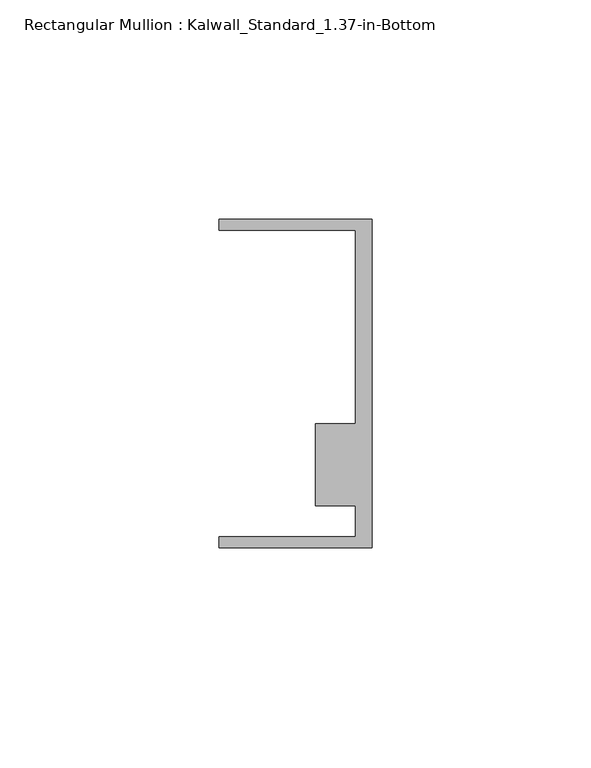
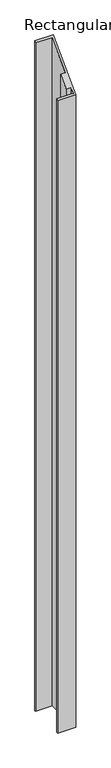
"""IFC4 building model written with IfcOpenShell, lengths in millimetres: member geometry, Rectangular Mullion : Kalwall_Standard_1.37-in-Bottom."""

import ifcopenshell
import ifcopenshell.guid

model = None  # the IFC model being written
_history = None  # IfcOwnerHistory: only IFC2X3 demands one
_inside = {}  # id of a spatial element -> (the spatial element, [elements in it])
_under = {}  # id of a project, library or spatial element -> (it, [spatial elements below it])
_declared = {}  # id of a project -> (the project, [libraries it declares])
_typed = {}  # id of a type object -> (the type object, [elements of that type])
_made_of = {}  # id of a material, layer set ... -> (it, [elements and type objects made of it])


def new_model(schema):
    """Start an empty IFC model of exactly this schema.

    Asked for "IFC4X3", IfcOpenShell would pick the latest addendum, in which some entities
    have other attributes; the version numbers below select the first issue.
    IFC2X3 requires an IfcOwnerHistory on every rooted entity: one is made here for all.
    """
    global model, _history
    if schema == "IFC4X3":
        model = ifcopenshell.file(schema_version=(4, 3, 0, 0))
    else:
        model = ifcopenshell.file(schema=schema)
    _inside.clear()
    _under.clear()
    _declared.clear()
    _typed.clear()
    _made_of.clear()
    _history = None
    if model.schema == "IFC2X3":
        org = make("IfcOrganization", Name="unknown")
        user = make(
            "IfcPersonAndOrganization",
            ThePerson=make("IfcPerson", FamilyName="unknown"),
            TheOrganization=org,
        )
        app = make(
            "IfcApplication",
            ApplicationDeveloper=org,
            Version="unknown",
            ApplicationFullName="unknown",
            ApplicationIdentifier="unknown",
        )
        _history = make(
            "IfcOwnerHistory",
            OwningUser=user,
            OwningApplication=app,
            ChangeAction="ADDED",
            CreationDate=0,
        )
    return model


def make(cls, **values):
    """One entity of the class cls with the attributes given. An attribute that is None is left unset."""
    return model.create_entity(
        cls, **{name: value for name, value in values.items() if value is not None}
    )


def rooted(cls, **values):
    """An entity with a GlobalId (a new one), such as an element, a storey or a relation."""
    return make(cls, GlobalId=ifcopenshell.guid.new(), OwnerHistory=_history, **values)


def si_unit(unit_type, name, prefix=None):
    """IfcSIUnit, for example si_unit("LENGTHUNIT", "METRE", prefix="MILLI")."""
    return make("IfcSIUnit", UnitType=unit_type, Prefix=prefix, Name=name)


def assignment(units):
    """IfcUnitAssignment: the units of a project."""
    return None if units is None else make("IfcUnitAssignment", Units=units)


def point(xyz):
    """IfcCartesianPoint."""
    return None if xyz is None else make("IfcCartesianPoint", Coordinates=xyz)


def direction(xyz):
    """IfcDirection."""
    return None if xyz is None else make("IfcDirection", DirectionRatios=xyz)


def frame(location, z_axis=None, x_axis=None):
    """IfcAxis2Placement3D, a coordinate frame: its origin and axes. An axis left out is left unset."""
    return make(
        "IfcAxis2Placement3D",
        Location=point(location),
        Axis=direction(z_axis),
        RefDirection=direction(x_axis),
    )


def origin():
    """The frame at (0, 0, 0) with its axes left unset."""
    return frame((0.0, 0.0, 0.0))


def place(relative_to, where):
    """IfcLocalPlacement: puts the frame where relative to a parent placement (None: the world)."""
    return make(
        "IfcLocalPlacement", PlacementRelTo=relative_to, RelativePlacement=where
    )


def context(
    kind, dimensions, precision=None, world=None, true_north=None, identifier=None
):
    """IfcGeometricRepresentationContext, for example the 3D "Model" context."""
    return make(
        "IfcGeometricRepresentationContext",
        ContextIdentifier=identifier,
        ContextType=kind,
        CoordinateSpaceDimension=dimensions,
        Precision=precision,
        WorldCoordinateSystem=world,
        TrueNorth=true_north,
    )


def project(units=None, contexts=None):
    """IfcProject with its units and contexts."""
    return rooted(
        "IfcProject",
        Name="project",
        RepresentationContexts=contexts,
        UnitsInContext=assignment(units),
    )


def spatial(cls, under=None, at=None, **own):
    """A site, building, storey or space (cls), placed at a placement, below another one or the project."""
    s = rooted(cls, ObjectPlacement=at, **own)
    if under is not None:
        _under.setdefault(under.id(), (under, []))[1].append(s)
    return s


def faces_of(points, faces, orient=None, outer=None):
    """IfcFace entities. A face is a list of loops; a loop is a list of indices into points, from 0.

    orient and outer hold one flag for each loop. By default every Orientation is true, the
    first loop of a face is its IfcFaceOuterBound and the others are IfcFaceBound.
    """
    made = []
    for i, loops in enumerate(faces):
        bounds = []
        for j, loop in enumerate(loops):
            is_outer = j == 0 if outer is None else outer[i][j]
            bounds.append(
                make(
                    "IfcFaceOuterBound" if is_outer else "IfcFaceBound",
                    Bound=make("IfcPolyLoop", Polygon=[points[k] for k in loop]),
                    Orientation=True if orient is None else orient[i][j],
                )
            )
        made.append(make("IfcFace", Bounds=bounds))
    return made


def faceted_brep(points, faces, orient=None, outer=None, voids=None):
    """IfcFacetedBrep: a solid bounded by flat faces; with voids (closed shells), ...WithVoids."""
    shared = [point(p) for p in points]
    hull = make("IfcClosedShell", CfsFaces=faces_of(shared, faces, orient, outer))
    if voids is None:
        return make("IfcFacetedBrep", Outer=hull)
    return make(
        "IfcFacetedBrepWithVoids",
        Outer=hull,
        Voids=[
            make(cls, CfsFaces=faces_of(shared, fs, o, b)) for cls, fs, o, b in voids
        ],
    )


def shape(context_of_items, identifier, shape_type, items):
    """IfcShapeRepresentation: the items that make up one representation, for example the "Body"."""
    return make(
        "IfcShapeRepresentation",
        ContextOfItems=context_of_items,
        RepresentationIdentifier=identifier,
        RepresentationType=shape_type,
        Items=items,
    )


def source(mapping_origin, context_of_items, identifier, shape_type, items):
    """IfcRepresentationMap: a shape defined once, which mapped items show again and again."""
    return make(
        "IfcRepresentationMap",
        MappingOrigin=mapping_origin,
        MappedRepresentation=shape(context_of_items, identifier, shape_type, items),
    )


def transform(
    local_origin,
    x_axis=None,
    y_axis=None,
    z_axis=None,
    scale=None,
    scale2=None,
    scale3=None,
    uniform=True,
):
    """IfcCartesianTransformationOperator3D, or its non-uniform kind. x_axis, y_axis, z_axis: its Axis1, 2, 3."""
    if uniform:
        return make(
            "IfcCartesianTransformationOperator3D",
            Axis1=direction(x_axis),
            Axis2=direction(y_axis),
            LocalOrigin=point(local_origin),
            Scale=scale,
            Axis3=direction(z_axis),
        )
    return make(
        "IfcCartesianTransformationOperator3DnonUniform",
        Axis1=direction(x_axis),
        Axis2=direction(y_axis),
        LocalOrigin=point(local_origin),
        Scale=scale,
        Axis3=direction(z_axis),
        Scale2=scale2,
        Scale3=scale3,
    )


def mapped(mapping_source, mapping_target):
    """IfcMappedItem: shows the shape of a source again, moved by a transform."""
    return make(
        "IfcMappedItem", MappingSource=mapping_source, MappingTarget=mapping_target
    )


def made_of(thing, what):
    """Note that an element or type object is made of a material, layer set ...; save() writes the relation."""
    if what is not None:
        _made_of.setdefault(what.id(), (what, []))[1].append(thing)
    return thing


def element(
    cls,
    number,
    at=None,
    inside=None,
    cuts=None,
    type_object=None,
    material=None,
    context=None,
    identifier="Body",
    shape_type=None,
    held_by="IfcProductDefinitionShape",
    body=None,
    shapes=None,
    **own,
):
    """One element of the class cls, such as IfcWall. Its Tag is "e" and its number.

    at: its placement. inside: the storey or other place that contains it. cuts: it is an
    opening in that element (IfcRelVoidsElement). A single representation is given by context,
    identifier, shape_type and body (its items); several are given by shapes. held_by: the class
    of the entity that holds the representations. save() writes the other relations.
    """
    e = rooted(cls, Tag="e%d" % number, ObjectPlacement=at, **own)
    if body is not None:
        shapes = [shape(context, identifier, shape_type, body)]
    if shapes is not None:
        e.Representation = make(held_by, Representations=shapes)
    if inside is not None:
        _inside.setdefault(inside.id(), (inside, []))[1].append(e)
    if cuts is not None:
        rooted(
            "IfcRelVoidsElement", RelatingBuildingElement=cuts, RelatedOpeningElement=e
        )
    if type_object is not None:
        _typed.setdefault(type_object.id(), (type_object, []))[1].append(e)
    return made_of(e, material)


def aggregate(whole, parts):
    """IfcRelAggregates: a whole, such as a stair, and the parts it consists of."""
    return rooted("IfcRelAggregates", RelatingObject=whole, RelatedObjects=parts)


def save(model, path):
    """Write the relations noted so far, then the file.

    IfcRelAggregates (storeys below a building ...), IfcRelContainedInSpatialStructure (elements
    in a storey), IfcRelDefinesByType, IfcRelAssociatesMaterial and IfcRelDeclares: one each for
    every whole, place, type object, material and project.
    """
    for whole, parts in _under.values():
        aggregate(whole, parts)
    for where, things in _inside.values():
        rooted(
            "IfcRelContainedInSpatialStructure",
            RelatedElements=things,
            RelatingStructure=where,
        )
    for kind, things in _typed.values():
        rooted("IfcRelDefinesByType", RelatedObjects=things, RelatingType=kind)
    for what, things in _made_of.values():
        rooted("IfcRelAssociatesMaterial", RelatedObjects=things, RelatingMaterial=what)
    for by, libraries in _declared.values():
        rooted("IfcRelDeclares", RelatingContext=by, RelatedDefinitions=libraries)
    model.write(path)


def rectangular_mullion_kalwall_standard_1_37_in_bottom_31664316(model_context):
    return source(origin(), model_context, "Body", "Brep", [
        faceted_brep([(0.0, -37.5776386, -1316.2060003), (-34.925, -37.5776386, -1316.2060003), (-34.925, -35.0376386, -1316.2060003), (-3.7084, -35.0376386, -1316.2060003), (-3.7084, -27.8888568, -1316.2060003), (-12.8272539, -27.8888568, -1316.2060003), (-12.8272539, -9.1879886, -1316.2060003), (-3.7084, -9.1879886, -1316.2060003), (-3.7084, 34.9623614, -1316.2060003), (-34.925, 34.9623614, -1316.2060003), (-34.925, 37.5023614, -1316.2060003), (0.0, 37.5023614, -1316.2060003), (0.0, 37.5023614, 37.5023614), (0.0, -37.5776386, -37.5776386), (-34.925, 37.5023614, 37.5023614), (-34.925, 34.9623614, 34.9623614), (-3.7084, 34.9623614, 34.9623614), (-3.7084, -9.1879886, -9.1879886), (-12.8272539, -9.1879886, -9.1879886), (-12.8272539, -27.8888568, -27.8888568), (-3.7084, -27.8888568, -27.8888568), (-3.7084, -35.0376386, -35.0376386), (-34.925, -35.0376386, -35.0376386), (-34.925, -37.5776386, -37.5776386)], [[[0, 1, 2, 3, 4, 5, 6, 7, 8, 9, 10, 11]], [[12, 13, 0, 11]], [[14, 12, 11, 10]], [[15, 14, 10, 9]], [[16, 15, 9, 8]], [[17, 16, 8, 7]], [[18, 17, 7, 6]], [[19, 18, 6, 5]], [[20, 19, 5, 4]], [[21, 20, 4, 3]], [[22, 21, 3, 2]], [[23, 22, 2, 1]], [[13, 23, 1, 0]], [[13, 12, 14, 15, 16, 17, 18, 19, 20, 21, 22, 23]]]),
    ])


if __name__ == "__main__":
    model = new_model("IFC4")
    model_context = context("Model", 3, world=origin())
    ifc_project = project(units=[si_unit("LENGTHUNIT", "METRE", prefix="MILLI")], contexts=[model_context])
    site = spatial("IfcSite", under=ifc_project)
    building = spatial("IfcBuilding", under=site)
    placement = place(None, origin())
    rectangular_mullion_kalwall_standard_1_37_in_bottom_shape = rectangular_mullion_kalwall_standard_1_37_in_bottom_31664316(model_context)
    element("IfcMember", 1, ObjectType="Rectangular Mullion : Kalwall_Standard_1.37-in-Bottom", at=placement, inside=building, context=model_context, shape_type="MappedRepresentation", body=[
        mapped(rectangular_mullion_kalwall_standard_1_37_in_bottom_shape, transform((0.0, 0.0, 0.0), x_axis=(1.0, 0.0, 0.0), y_axis=(0.0, 1.0, 0.0), z_axis=(0.0, 0.0, 1.0))),
    ])
    save(model, "model.ifc")
